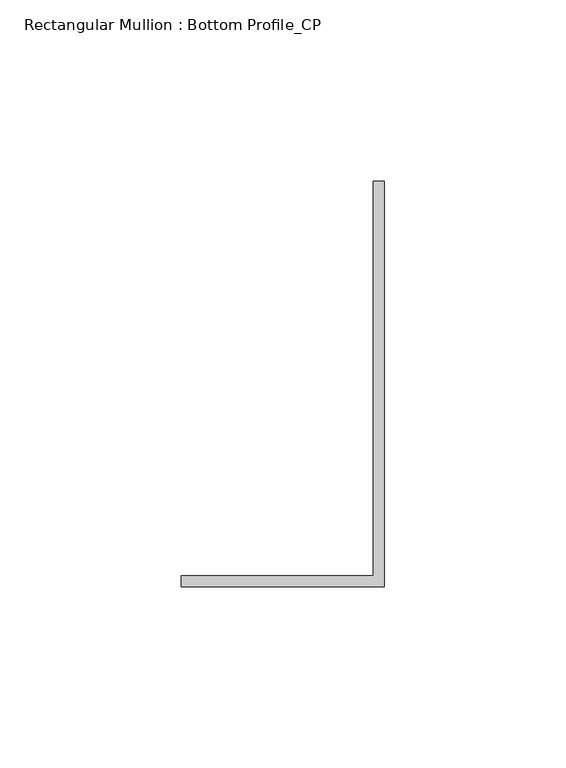
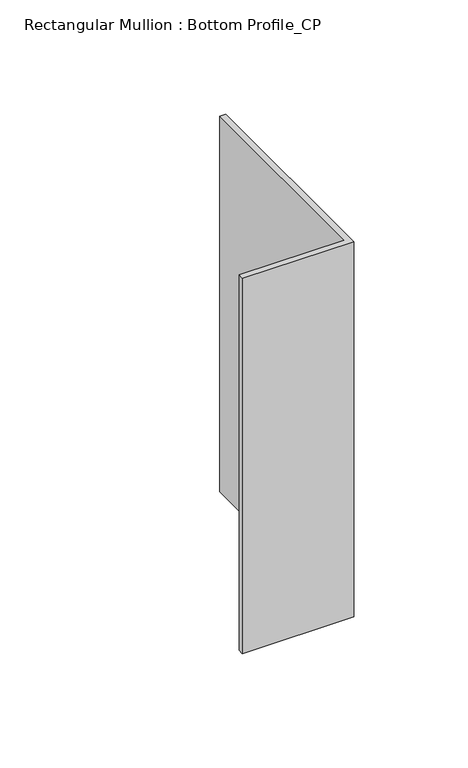
"""IFC4 building model written with IfcOpenShell, lengths in millimetres: member geometry, Rectangular Mullion : Bottom Profile_CP."""

from ifc_helpers import new_model, si_unit, frame, origin, place, context, project, spatial, polyline, outline, extrude, source, transform, mapped, element, save


def rectangular_mullion_bottom_profile_cp_b303da24(model_context):
    return source(origin(), model_context, "Body", "SweptSolid", [
        extrude(outline(polyline([(-56.0, -105.0000064), (-2.999988, -105.0000129), (-2.9999746, 3.7999882), (0.0, 3.7999882), (0.0, -108.0), (-56.0, -108.0), (-56.0, -105.0000064)])), frame((0.0, 0.0, -200.0), z_axis=(0.0, 0.0, 1.0), x_axis=(1.0, 0.0, 0.0)), (0.0, 0.0, 1.0), 200.0),
    ])


if __name__ == "__main__":
    model = new_model("IFC4")
    model_context = context("Model", 3, world=origin())
    ifc_project = project(units=[si_unit("LENGTHUNIT", "METRE", prefix="MILLI")], contexts=[model_context])
    site = spatial("IfcSite", under=ifc_project)
    building = spatial("IfcBuilding", under=site)
    placement = place(None, origin())
    rectangular_mullion_bottom_profile_cp_shape = rectangular_mullion_bottom_profile_cp_b303da24(model_context)
    element("IfcMember", 1, ObjectType="Rectangular Mullion : Bottom Profile_CP", at=placement, inside=building, context=model_context, shape_type="MappedRepresentation", body=[
        mapped(rectangular_mullion_bottom_profile_cp_shape, transform((0.0, 0.0, 0.0), x_axis=(1.0, 0.0, 0.0), y_axis=(0.0, 1.0, 0.0), z_axis=(0.0, 0.0, 1.0))),
    ])
    save(model, "model.ifc")
